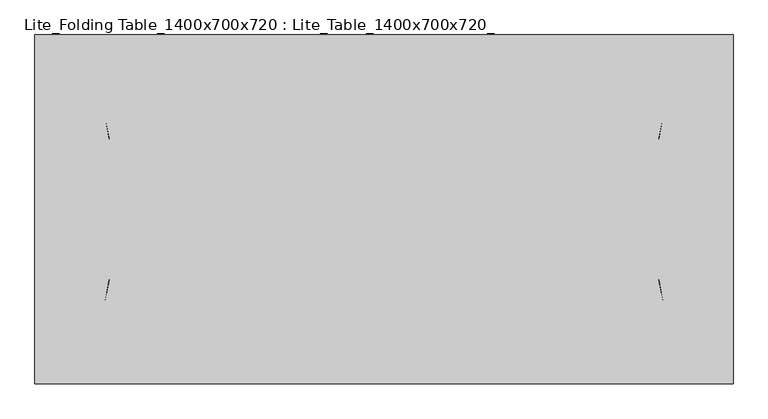
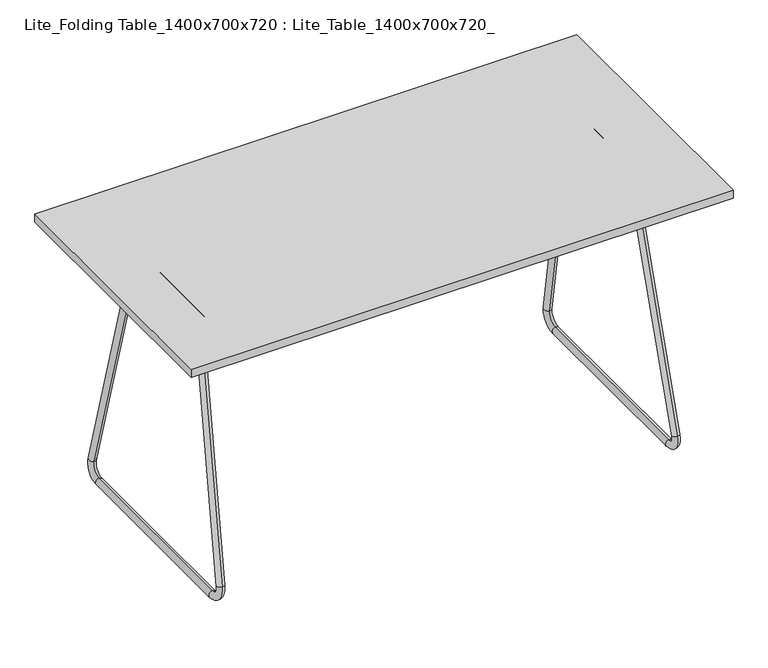
"""IFC4 building model written with IfcOpenShell, lengths in millimetres: furniture geometry, Lite_Folding Table_1400x700x720 : Lite_Table_1400x700x720_."""

from ifc_helpers import new_model, si_unit, point, frame, frame_2d, origin, origin_2d, place, context, project, spatial, polyline, circle_curve, ellipse_curve, trimmed, segment, composite_curve, outline, extrude, source, transform, mapped, element, save
from ifc_brep_helpers import plane_surface, cylinder_surface, revolved_surface, advanced_brep


def lite_folding_table_1400x700x720_lite_table_1400x700x720_1aaf12c2(model_context):
    return source(origin(), model_context, "Body", "SolidModel", [
        advanced_brep(
        [(559.5035253, 147.7650859, 695.6390824), (559.6936388, 129.2454249, 691.3677105), (588.2882177, 277.7131208, 48.9195077), (588.0981042, 296.2327817, 53.1908795), (590.4768719, 253.6786832, -0.2540426), (589.6317392, 253.6786832, 18.733963), (589.6317392, -253.6786853, 18.733963), (590.4768719, -253.6786853, -0.2540426), (588.0981042, -296.2327838, 53.1908795), (588.2882177, -277.7131229, 48.9195077), (559.5035253, -147.765088, 695.6390824), (559.6936388, -129.245427, 691.3677105)],
        [
            (0, 1, circle_curve(frame((559.5985821, 138.5052554, 693.5033964), z_axis=(-0.0433251195471534, -0.22495105434386317, 0.9734063679501019), x_axis=(0.010002391980150004, -0.9743700647852357, -0.22472856739874242)), 9.5034021)),
            (1, 0, circle_curve(frame((559.5985821, 138.5052554, 693.5033964), z_axis=(-0.0433251195471534, -0.22495105434386317, 0.9734063679501019), x_axis=(0.010002391980150004, -0.9743700647852357, -0.22472856739874242)), 9.5034021)),
            (1, 2),
            (2, 3, circle_curve(frame((588.193161, 286.9729512, 51.0551936), z_axis=(-0.0433251195471534, -0.22495105434386317, 0.9734063679501019), x_axis=(0.010002391980150004, -0.9743700647852357, -0.22472856739874242)), 9.5034021)),
            (3, 0),
            (3, 2, circle_curve(frame((588.193161, 286.9729512, 51.0551936), z_axis=(-0.0433251195471534, -0.22495105434386317, 0.9734063679501019), x_axis=(0.010002391980150004, -0.9743700647852357, -0.22472856739874242)), 9.5034021)),
            (4, 3, circle_curve(frame((588.5349431, 253.6786832, 43.3762085), z_axis=(0.9990109539794347, 0.0, 0.04446474816188329), x_axis=(-0.010002391980150002, 0.9743700647852356, 0.22472856739874253)), 43.6734461)),
            (2, 5, circle_curve(frame((588.5349431, 253.6786832, 43.3762085), z_axis=(-0.9990109539794347, 0.0, -0.04446474816188329), x_axis=(-0.010002391980150002, 0.9743700647852356, 0.22472856739874253)), 24.666642)),
            (5, 4, circle_curve(frame((590.0543055, 253.6786832, 9.2399602), z_axis=(0.0, 1.0, 0.0), x_axis=(-0.04446474816188328, 0.0, 0.9990109539794348)), 9.5034021)),
            (4, 5, circle_curve(frame((590.0543055, 253.6786832, 9.2399602), z_axis=(0.0, 1.0, 0.0), x_axis=(-0.04446474816188328, 0.0, 0.9990109539794347)), 9.5034021)),
            (5, 6),
            (6, 7, circle_curve(frame((590.0543055, -253.6786853, 9.2399602), z_axis=(0.0, 1.0, 0.0), x_axis=(-0.04446474816188328, 0.0, 0.9990109539794347)), 9.5034021)),
            (7, 4),
            (7, 6, circle_curve(frame((590.0543055, -253.6786853, 9.2399602), z_axis=(0.0, 1.0, 0.0), x_axis=(-0.04446474816188328, 0.0, 0.9990109539794347)), 9.5034021)),
            (8, 7, circle_curve(frame((588.5349431, -253.6786853, 43.3762085), z_axis=(0.9990109539794347, 0.0, 0.04446474816188329), x_axis=(0.04446474816188329, 0.0, -0.9990109539794347)), 43.6734461)),
            (6, 9, circle_curve(frame((588.5349431, -253.6786853, 43.3762085), z_axis=(-0.9990109539794347, 0.0, -0.04446474816188329), x_axis=(0.04446474816188329, 0.0, -0.9990109539794347)), 24.666642)),
            (9, 8, circle_curve(frame((588.193161, -286.9729533, 51.0551936), z_axis=(0.043325119547153464, -0.22495105434386053, -0.9734063679501025), x_axis=(0.010002391980149888, 0.9743700647852362, -0.22472856739873978)), 9.5034021)),
            (8, 9, circle_curve(frame((588.193161, -286.9729533, 51.0551936), z_axis=(0.04332511954715347, -0.22495105434385987, -0.9734063679501027), x_axis=(0.010002391980149858, 0.9743700647852365, -0.22472856739873912)), 9.5034021)),
            (10, 11, circle_curve(frame((559.5985821, -138.5052575, 693.5033964), z_axis=(-0.04332511954715343, 0.2249510543438663, 0.9734063679501013), x_axis=(0.010002391980150127, 0.974370064785235, -0.22472856739874555)), 9.5034021)),
            (11, 10, circle_curve(frame((559.5985821, -138.5052575, 693.5033964), z_axis=(-0.04332511954715343, 0.2249510543438663, 0.9734063679501013), x_axis=(0.010002391980150127, 0.974370064785235, -0.22472856739874555)), 9.5034021)),
            (9, 11),
            (10, 8),
        ],
        [
            plane_surface(frame((-29.7529067, 139.3139396, 667.4589712), z_axis=(-0.0433251195471534, -0.22495105434386317, 0.9734063679501019), x_axis=(-0.9990109539794347, 0.0, -0.04446474816188328))),
            cylinder_surface(frame((559.5985821, 138.5052554, 693.5033964), z_axis=(-0.0433251195471534, -0.22495105434386317, 0.9734063679501019), x_axis=(0.010002391980150004, -0.9743700647852357, -0.22472856739874242)), 9.5034021),
            revolved_surface(trimmed(ellipse_curve(frame((588.193161, 286.9729512, 51.0551936), z_axis=(-0.04332511954715339, -0.2249510543438632, 0.9734063679501018), x_axis=(0.010002391980150009, -0.9743700647852356, -0.22472856739874245)), 9.5034021, 9.5034021), [point((588.2882177, 277.7131208, 48.9195077))], [point((588.0981042, 296.2327817, 53.1908795))], True, "CARTESIAN"), (-0.8082441, 253.6786832, 17.1452685), (-0.9990109539794347, 0.0, -0.04446474816188329)),
            revolved_surface(trimmed(ellipse_curve(frame((588.193161, 286.9729512, 51.0551936), z_axis=(-0.04332511954715339, -0.2249510543438632, 0.9734063679501018), x_axis=(0.010002391980150009, -0.9743700647852356, -0.22472856739874245)), 9.5034021, 9.5034021), [point((588.0981042, 296.2327817, 53.1908795))], [point((588.2882177, 277.7131208, 48.9195077))], True, "CARTESIAN"), (-0.8082441, 253.6786832, 17.1452685), (-0.9990109539794347, 0.0, -0.04446474816188329)),
            cylinder_surface(frame((590.0543055, 253.6786832, 9.2399602), z_axis=(0.0, 1.0, 0.0), x_axis=(-0.04446474816188328, 0.0, 0.9990109539794347)), 9.5034021),
            revolved_surface(trimmed(ellipse_curve(frame((590.0543055, -253.6786853, 9.2399602), z_axis=(0.0, 1.0, 0.0), x_axis=(-0.04446474816188328, 0.0, 0.9990109539794347)), 9.5034021, 9.5034021), [point((589.6317392, -253.6786853, 18.733963))], [point((590.4768719, -253.6786853, -0.2540426))], True, "CARTESIAN"), (-0.8082441, -253.6786853, 17.1452685), (-0.9990109539794347, 0.0, -0.04446474816188329)),
            revolved_surface(trimmed(ellipse_curve(frame((590.0543055, -253.6786853, 9.2399602), z_axis=(0.0, 1.0, 0.0), x_axis=(-0.04446474816188328, 0.0, 0.9990109539794347)), 9.5034021, 9.5034021), [point((590.4768719, -253.6786853, -0.2540426))], [point((589.6317392, -253.6786853, 18.733963))], True, "CARTESIAN"), (-0.8082441, -253.6786853, 17.1452685), (-0.9990109539794347, 0.0, -0.04446474816188329)),
            plane_surface(frame((-29.7529067, -139.3139417, 667.4589712), z_axis=(-0.04332511954715339, 0.2249510543438662, 0.9734063679501013), x_axis=(-0.9990109539794347, 0.0, -0.0444647481618833))),
            cylinder_surface(frame((588.193161, -286.9729533, 51.0551936), z_axis=(0.04332511954715343, -0.2249510543438663, -0.9734063679501013), x_axis=(0.010002391980150127, 0.974370064785235, -0.22472856739874555)), 9.5034021),
        ],
        [
            (0, [[1, 2]]),
            (1, [[-2, 3, 4, 5]]),
            (1, [[-1, -5, 6, -3]]),
            (2, [[7, -4, 8, 9]]),
            (3, [[-8, -6, -7, 10]]),
            (4, [[-9, 11, 12, 13]]),
            (4, [[-10, -13, 14, -11]]),
            (5, [[15, -12, 16, 17]]),
            (6, [[-16, -14, -15, 18]]),
            (7, [[19, 20]]),
            (8, [[-17, 21, -19, 22]]),
            (8, [[-18, -22, -20, -21]]),
        ],
    ),
        advanced_brep(
        [(-559.6936388, 129.2454249, 691.3677105), (-559.5035253, 147.7650859, 695.6390824), (-588.2882177, 277.7131208, 48.9195077), (-588.0981042, 296.2327817, 53.1908795), (-590.4768719, 253.6786832, -0.2540426), (-589.6317392, 253.6786832, 18.733963), (-589.6317392, -253.6786853, 18.733963), (-590.4768719, -253.6786853, -0.2540426), (-588.0981042, -296.2327838, 53.1908795), (-588.2882177, -277.7131229, 48.9195077), (-559.6936388, -129.245427, 691.3677105), (-559.5035253, -147.765088, 695.6390824)],
        [
            (0, 1, circle_curve(frame((-559.5985821, 138.5052554, 693.5033964), z_axis=(0.04332511954715342, -0.22495105434386325, 0.9734063679501019), x_axis=(0.010002391980149995, 0.9743700647852357, 0.2247285673987425)), 9.5034021)),
            (1, 0, circle_curve(frame((-559.5985821, 138.5052554, 693.5033964), z_axis=(0.04332511954715342, -0.22495105434386325, 0.9734063679501019), x_axis=(0.010002391980149995, 0.9743700647852357, 0.2247285673987425)), 9.5034021)),
            (0, 2),
            (2, 3, circle_curve(frame((-588.193161, 286.9729512, 51.0551936), z_axis=(0.04332511954715342, -0.22495105434386325, 0.9734063679501019), x_axis=(0.010002391980149995, 0.9743700647852357, 0.2247285673987425)), 9.5034021)),
            (3, 1),
            (3, 2, circle_curve(frame((-588.193161, 286.9729512, 51.0551936), z_axis=(0.04332511954715342, -0.22495105434386325, 0.9734063679501019), x_axis=(0.010002391980149995, 0.9743700647852357, 0.2247285673987425)), 9.5034021)),
            (4, 3, circle_curve(frame((-588.5349431, 253.6786832, 43.3762085), z_axis=(0.9990109539794347, 0.0, -0.04446474816188329), x_axis=(0.010002391980149997, 0.9743700647852357, 0.2247285673987424)), 43.6734461)),
            (2, 5, circle_curve(frame((-588.5349431, 253.6786832, 43.3762085), z_axis=(-0.9990109539794347, 0.0, 0.04446474816188329), x_axis=(0.010002391980149997, 0.9743700647852357, 0.2247285673987424)), 24.666642)),
            (5, 4, circle_curve(frame((-590.0543055, 253.6786832, 9.2399602), z_axis=(0.0, 1.0, 0.0), x_axis=(-0.0444647481618833, 0.0, -0.9990109539794347)), 9.5034021)),
            (4, 5, circle_curve(frame((-590.0543055, 253.6786832, 9.2399602), z_axis=(0.0, 1.0, 0.0), x_axis=(-0.0444647481618833, 0.0, -0.9990109539794348)), 9.5034021)),
            (5, 6),
            (6, 7, circle_curve(frame((-590.0543055, -253.6786853, 9.2399602), z_axis=(0.0, 1.0, 0.0), x_axis=(-0.044464748161883304, 0.0, -0.9990109539794348)), 9.5034021)),
            (7, 4),
            (7, 6, circle_curve(frame((-590.0543055, -253.6786853, 9.2399602), z_axis=(0.0, 1.0, 0.0), x_axis=(-0.044464748161883304, 0.0, -0.9990109539794348)), 9.5034021)),
            (8, 7, circle_curve(frame((-588.5349431, -253.6786853, 43.3762085), z_axis=(0.9990109539794347, 0.0, -0.04446474816188329), x_axis=(-0.04446474816188329, 0.0, -0.9990109539794347)), 43.6734461)),
            (6, 9, circle_curve(frame((-588.5349431, -253.6786853, 43.3762085), z_axis=(-0.9990109539794347, 0.0, 0.04446474816188329), x_axis=(-0.04446474816188329, 0.0, -0.9990109539794347)), 24.666642)),
            (9, 8, circle_curve(frame((-588.193161, -286.9729533, 51.0551936), z_axis=(-0.04332511954715342, -0.22495105434386015, -0.9734063679501026), x_axis=(0.010002391980149856, -0.9743700647852364, 0.2247285673987394)), 9.5034021)),
            (8, 9, circle_curve(frame((-588.193161, -286.9729533, 51.0551936), z_axis=(-0.04332511954715343, -0.2249510543438595, -0.9734063679501027), x_axis=(0.010002391980149829, -0.9743700647852365, 0.22472856739873875)), 9.5034021)),
            (10, 11, circle_curve(frame((-559.5985821, -138.5052575, 693.5033964), z_axis=(0.04332511954715338, 0.22495105434386614, 0.9734063679501013), x_axis=(0.010002391980150106, -0.974370064785235, 0.2247285673987454)), 9.5034021)),
            (11, 10, circle_curve(frame((-559.5985821, -138.5052575, 693.5033964), z_axis=(0.04332511954715338, 0.22495105434386614, 0.9734063679501013), x_axis=(0.010002391980150106, -0.974370064785235, 0.2247285673987454)), 9.5034021)),
            (9, 10),
            (11, 8),
        ],
        [
            plane_surface(frame((29.7529067, 139.3139396, 667.4589712), z_axis=(0.04332511954715342, -0.22495105434386325, 0.9734063679501019), x_axis=(0.9990109539794347, 0.0, -0.044464748161883304))),
            cylinder_surface(frame((-559.5985821, 138.5052554, 693.5033964), z_axis=(0.04332511954715342, -0.22495105434386325, 0.9734063679501019), x_axis=(0.010002391980149995, 0.9743700647852357, 0.2247285673987425)), 9.5034021),
            revolved_surface(trimmed(ellipse_curve(frame((-588.193161, 286.9729512, 51.0551936), z_axis=(0.04332511954715344, -0.22495105434386323, 0.9734063679501019), x_axis=(0.010002391980149992, 0.9743700647852357, 0.22472856739874247)), 9.5034021, 9.5034021), [point((-588.2882177, 277.7131208, 48.9195077))], [point((-588.0981042, 296.2327817, 53.1908795))], True, "CARTESIAN"), (0.8082441, 253.6786832, 17.1452685), (-0.9990109539794347, 0.0, 0.04446474816188329)),
            revolved_surface(trimmed(ellipse_curve(frame((-588.193161, 286.9729512, 51.0551936), z_axis=(0.04332511954715344, -0.22495105434386323, 0.9734063679501019), x_axis=(0.010002391980149992, 0.9743700647852357, 0.22472856739874247)), 9.5034021, 9.5034021), [point((-588.0981042, 296.2327817, 53.1908795))], [point((-588.2882177, 277.7131208, 48.9195077))], True, "CARTESIAN"), (0.8082441, 253.6786832, 17.1452685), (-0.9990109539794347, 0.0, 0.04446474816188329)),
            cylinder_surface(frame((-590.0543055, 253.6786832, 9.2399602), z_axis=(0.0, 1.0, 0.0), x_axis=(-0.044464748161883304, 0.0, -0.9990109539794348)), 9.5034021),
            revolved_surface(trimmed(ellipse_curve(frame((-590.0543055, -253.6786853, 9.2399602), z_axis=(0.0, 1.0, 0.0), x_axis=(-0.0444647481618833, 0.0, -0.9990109539794347)), 9.5034021, 9.5034021), [point((-589.6317392, -253.6786853, 18.733963))], [point((-590.4768719, -253.6786853, -0.2540426))], True, "CARTESIAN"), (0.8082441, -253.6786853, 17.1452685), (-0.9990109539794347, 0.0, 0.04446474816188329)),
            revolved_surface(trimmed(ellipse_curve(frame((-590.0543055, -253.6786853, 9.2399602), z_axis=(0.0, 1.0, 0.0), x_axis=(-0.0444647481618833, 0.0, -0.9990109539794347)), 9.5034021, 9.5034021), [point((-590.4768719, -253.6786853, -0.2540426))], [point((-589.6317392, -253.6786853, 18.733963))], True, "CARTESIAN"), (0.8082441, -253.6786853, 17.1452685), (-0.9990109539794347, 0.0, 0.04446474816188329)),
            plane_surface(frame((29.7529067, -139.3139417, 667.4589712), z_axis=(0.04332511954715337, 0.22495105434386622, 0.9734063679501014), x_axis=(0.9990109539794348, 0.0, -0.04446474816188328))),
            cylinder_surface(frame((-588.193161, -286.9729533, 51.0551936), z_axis=(-0.04332511954715338, -0.22495105434386614, -0.9734063679501013), x_axis=(0.010002391980150106, -0.974370064785235, 0.2247285673987454)), 9.5034021),
        ],
        [
            (0, [[1, 2]]),
            (1, [[-1, 3, 4, 5]]),
            (1, [[-2, -5, 6, -3]]),
            (2, [[7, -4, 8, 9]]),
            (3, [[-8, -6, -7, 10]]),
            (4, [[-9, 11, 12, 13]]),
            (4, [[-10, -13, 14, -11]]),
            (5, [[15, -12, 16, 17]]),
            (6, [[-16, -14, -15, 18]]),
            (7, [[19, 20]]),
            (8, [[-17, 21, -20, 22]]),
            (8, [[-18, -22, -19, -21]]),
        ],
    ),
        extrude(outline(composite_curve([segment(trimmed(circle_curve(origin_2d(), 7.0043551), [point((0.0, -7.0043551))], [point((0.0, 7.0043552))], False, "CARTESIAN"), True, "CONTINUOUS"), segment(trimmed(circle_curve(origin_2d(), 7.0043551), [point((0.0, 7.0043552))], [point((0.0, -7.0043551))], False, "CARTESIAN"), True, "CONTINUOUS")], self_intersect=False)), frame((-562.5110063, 0.0, 565.7164093), z_axis=(0.8391863841630632, 0.0, 0.5438439230471585), x_axis=(0.0, -1.0, 0.0)), (0.0, 0.0, 1.0), 244.3413092),
        extrude(outline(composite_curve([segment(trimmed(circle_curve(origin_2d(), 7.0043551), [point((0.0, -7.0043552))], [point((0.0, 7.0043551))], False, "CARTESIAN"), True, "CONTINUOUS"), segment(trimmed(circle_curve(origin_2d(), 7.0043551), [point((0.0, 7.0043551))], [point((0.0, -7.0043552))], False, "CARTESIAN"), True, "CONTINUOUS")], self_intersect=False)), frame((562.5110063, 0.0, 565.7164093), z_axis=(-0.8391863841630632, 0.0, 0.5438439230471585), x_axis=(0.0, -1.0, 0.0)), (0.0, 0.0, 1.0), 244.3413092),
        extrude(outline(composite_curve([segment(trimmed(circle_curve(frame_2d((563.7575029, -565.7575487)), 7.9724387), [point((571.7299417, -565.7575487))], [point((555.7850642, -565.7575487))], False, "CARTESIAN"), True, "CONTINUOUS"), segment(trimmed(circle_curve(frame_2d((563.7575029, -565.7575487)), 7.9724387), [point((555.7850642, -565.7575487))], [point((571.7299417, -565.7575487))], False, "CARTESIAN"), True, "CONTINUOUS")], self_intersect=False)), frame((0.0, -166.9999991, 0.0), z_axis=(0.0, 1.0, 0.0), x_axis=(0.0, 0.0, 1.0)), (0.0, 0.0, 1.0), 333.9999982),
        extrude(outline(composite_curve([segment(trimmed(circle_curve(frame_2d((563.7575029, 565.7575487)), 7.9724387), [point((571.7299417, 565.7575487))], [point((555.7850642, 565.7575487))], False, "CARTESIAN"), True, "CONTINUOUS"), segment(trimmed(circle_curve(frame_2d((563.7575029, 565.7575487)), 7.9724387), [point((555.7850642, 565.7575487))], [point((571.7299417, 565.7575487))], False, "CARTESIAN"), True, "CONTINUOUS")], self_intersect=False)), frame((0.0, -166.9999991, 0.0), z_axis=(0.0, 1.0, 0.0), x_axis=(0.0, 0.0, 1.0)), (0.0, 0.0, 1.0), 333.9999982),
        extrude(outline(composite_curve([segment(trimmed(circle_curve(frame_2d((688.6343569, -560.5244077)), 9.9655886), [point((698.5999454, -560.5244077))], [point((678.6687683, -560.5244077))], False, "CARTESIAN"), True, "CONTINUOUS"), segment(trimmed(circle_curve(frame_2d((688.6343569, -560.5244077)), 9.9655886), [point((678.6687683, -560.5244077))], [point((698.5999454, -560.5244077))], False, "CARTESIAN"), True, "CONTINUOUS")], self_intersect=False)), frame((0.0, -154.499999, 0.0), z_axis=(0.0, 1.0, 0.0), x_axis=(0.0, 0.0, 1.0)), (0.0, 0.0, 1.0), 310.4999973),
        extrude(outline(composite_curve([segment(trimmed(circle_curve(frame_2d((688.6343569, 560.5244077)), 9.9655886), [point((698.5999454, 560.5244077))], [point((678.6687683, 560.5244077))], False, "CARTESIAN"), True, "CONTINUOUS"), segment(trimmed(circle_curve(frame_2d((688.6343569, 560.5244077)), 9.9655886), [point((678.6687683, 560.5244077))], [point((698.5999454, 560.5244077))], False, "CARTESIAN"), True, "CONTINUOUS")], self_intersect=False)), frame((0.0, -154.499999, 0.0), z_axis=(0.0, 1.0, 0.0), x_axis=(0.0, 0.0, 1.0)), (0.0, 0.0, 1.0), 310.4999973),
        extrude(outline(polyline([(700.0, 350.0), (700.0, -350.0), (-700.0, -350.0), (-700.0, 350.0), (700.0, 350.0)])), frame((0.0, 0.0, 698.5999454), z_axis=(0.0, 0.0, 1.0), x_axis=(1.0, 0.0, 0.0)), (0.0, 0.0, 1.0), 21.4000546),
    ])


if __name__ == "__main__":
    model = new_model("IFC4")
    model_context = context("Model", 3, world=origin())
    ifc_project = project(units=[si_unit("LENGTHUNIT", "METRE", prefix="MILLI")], contexts=[model_context])
    site = spatial("IfcSite", under=ifc_project)
    building = spatial("IfcBuilding", under=site)
    placement = place(None, origin())
    lite_folding_table_1400x700x720_lite_table_1400x700x720_shape = lite_folding_table_1400x700x720_lite_table_1400x700x720_1aaf12c2(model_context)
    element("IfcFurniture", 1, ObjectType="Lite_Folding Table_1400x700x720 : Lite_Table_1400x700x720_", at=placement, inside=building, context=model_context, shape_type="MappedRepresentation", body=[
        mapped(lite_folding_table_1400x700x720_lite_table_1400x700x720_shape, transform((0.0, 0.0, 0.0), x_axis=(1.0, 0.0, 0.0), y_axis=(0.0, 1.0, 0.0), z_axis=(0.0, 0.0, 1.0))),
    ])
    save(model, "model.ifc")
